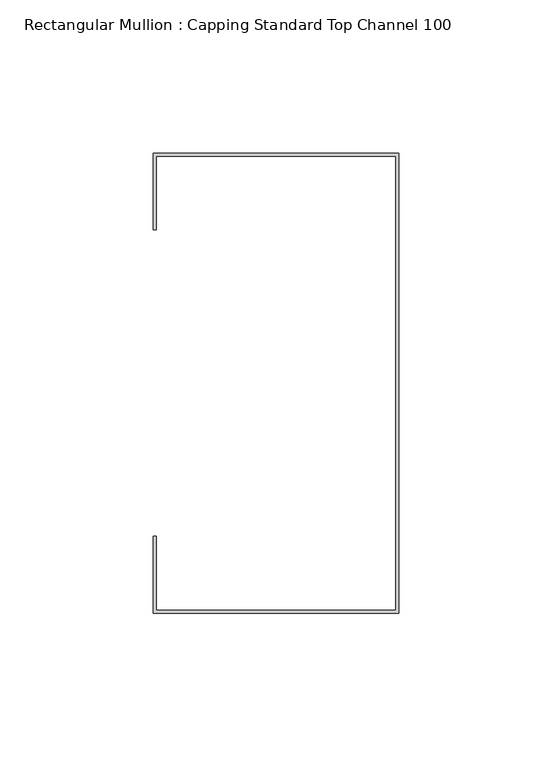
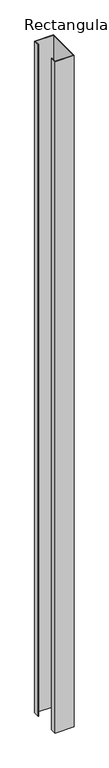
"""IFC4 building model written with IfcOpenShell, lengths in millimetres: member geometry, Rectangular Mullion : Capping Standard Top Channel 100."""

from ifc_helpers import new_model, si_unit, frame, origin, place, context, project, spatial, polyline, outline, extrude, source, transform, mapped, element, save


def rectangular_mullion_capping_standard_top_channel_100_199383d8(model_context):
    return source(origin(), model_context, "Body", "SweptSolid", [
        extrude(outline(polyline([(-0.95, -74.05), (-0.95, 74.05), (-79.05, 74.05), (-79.05, 50.0), (-80.0, 50.0), (-80.0, 75.0), (0.0, 75.0), (0.0, -75.0), (-80.0, -75.0), (-80.0, -50.0), (-79.05, -50.0), (-79.05, -74.05), (-0.95, -74.05)])), frame((0.0, 0.0, -3000.0), z_axis=(0.0, 0.0, 1.0), x_axis=(1.0, 0.0, 0.0)), (0.0, 0.0, 1.0), 3000.0),
    ])


if __name__ == "__main__":
    model = new_model("IFC4")
    model_context = context("Model", 3, world=origin())
    ifc_project = project(units=[si_unit("LENGTHUNIT", "METRE", prefix="MILLI")], contexts=[model_context])
    site = spatial("IfcSite", under=ifc_project)
    building = spatial("IfcBuilding", under=site)
    placement = place(None, origin())
    rectangular_mullion_capping_standard_top_channel_100_shape = rectangular_mullion_capping_standard_top_channel_100_199383d8(model_context)
    element("IfcMember", 1, ObjectType="Rectangular Mullion : Capping Standard Top Channel 100", at=placement, inside=building, context=model_context, shape_type="MappedRepresentation", body=[
        mapped(rectangular_mullion_capping_standard_top_channel_100_shape, transform((0.0, 0.0, 0.0), x_axis=(1.0, 0.0, 0.0), y_axis=(0.0, 1.0, 0.0), z_axis=(0.0, 0.0, 1.0))),
    ])
    save(model, "model.ifc")
